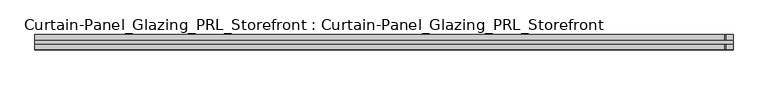
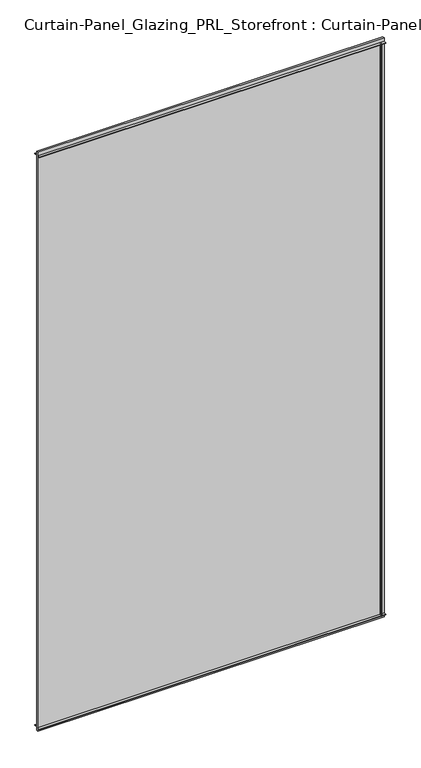
"""IFC4 building model written with IfcOpenShell, lengths in millimetres: plate geometry, Curtain-Panel_Glazing_PRL_Storefront : Curtain-Panel_Glazing_PRL_Storefront."""

from ifc_helpers import new_model, si_unit, frame, origin, origin_with_axes, place, context, project, spatial, polyline, outline, extrude, source, transform, mapped, element, save


def curtain_panel_glazing_prl_storefront_curtain_panel_glazing_92eab148(model_context):
    return source(origin(), model_context, "Body", "SweptSolid", [
        extrude(outline(polyline([(577.85, -12.7), (576.2625, -12.7), (576.2625, -3.175), (577.85, -3.175), (577.85, -12.7)])), frame((0.0, 0.0, 12.7), z_axis=(0.0, 0.0, 1.0), x_axis=(1.0, 0.0, 0.0)), (0.0, 0.0, 1.0), 2056.60625),
        extrude(outline(polyline([(577.85, 12.7), (577.85, 3.175), (576.2625, 3.175), (576.2625, 12.7), (577.85, 12.7)])), frame((0.0, 0.0, 12.7), z_axis=(0.0, 0.0, 1.0), x_axis=(1.0, 0.0, 0.0)), (0.0, 0.0, 1.0), 2056.60625),
        extrude(outline(polyline([(590.55, 3.175), (590.55, -3.175), (-587.375, -3.175), (-587.375, 3.175), (590.55, 3.175)])), origin_with_axes(), (0.0, 0.0, 1.0), 2082.00625),
        extrude(outline(polyline([(-587.375, -12.7), (-587.375, -3.175), (590.55, -3.175), (590.55, -12.7), (-587.375, -12.7)])), frame((0.0, 0.0, 2067.71875), z_axis=(0.0, 0.0, 1.0), x_axis=(1.0, 0.0, 0.0)), (0.0, 0.0, 1.0), 1.5875),
        extrude(outline(polyline([(-587.375, 12.7), (590.55, 12.7), (590.55, 3.175), (-587.375, 3.175), (-587.375, 12.7)])), frame((0.0, 0.0, 2067.71875), z_axis=(0.0, 0.0, 1.0), x_axis=(1.0, 0.0, 0.0)), (0.0, 0.0, 1.0), 1.5875),
        extrude(outline(polyline([(-587.375, -12.7), (-587.375, -3.175), (590.55, -3.175), (590.55, -12.7), (-587.375, -12.7)])), frame((0.0, 0.0, 12.7), z_axis=(0.0, 0.0, 1.0), x_axis=(1.0, 0.0, 0.0)), (0.0, 0.0, 1.0), 1.5875),
        extrude(outline(polyline([(-587.375, 12.7), (590.55, 12.7), (590.55, 3.175), (-587.375, 3.175), (-587.375, 12.7)])), frame((0.0, 0.0, 12.7), z_axis=(0.0, 0.0, 1.0), x_axis=(1.0, 0.0, 0.0)), (0.0, 0.0, 1.0), 1.5875),
    ])


if __name__ == "__main__":
    model = new_model("IFC4")
    model_context = context("Model", 3, world=origin())
    ifc_project = project(units=[si_unit("LENGTHUNIT", "METRE", prefix="MILLI")], contexts=[model_context])
    site = spatial("IfcSite", under=ifc_project)
    building = spatial("IfcBuilding", under=site)
    placement = place(None, origin())
    curtain_panel_glazing_prl_storefront_curtain_panel_glazing_shape = curtain_panel_glazing_prl_storefront_curtain_panel_glazing_92eab148(model_context)
    element("IfcPlate", 1, ObjectType="Curtain-Panel_Glazing_PRL_Storefront : Curtain-Panel_Glazing_PRL_Storefront", at=placement, inside=building, context=model_context, shape_type="MappedRepresentation", body=[
        mapped(curtain_panel_glazing_prl_storefront_curtain_panel_glazing_shape, transform((0.0, 0.0, 0.0), x_axis=(1.0, 0.0, 0.0), y_axis=(0.0, 1.0, 0.0), z_axis=(0.0, 0.0, 1.0))),
    ])
    save(model, "model.ifc")
